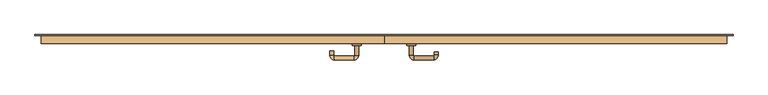
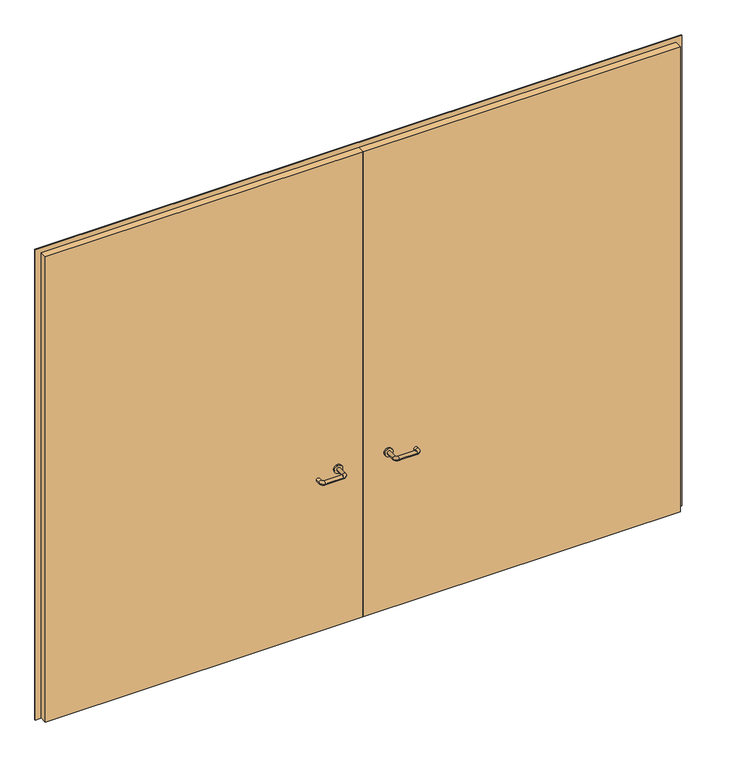
"""IFC4 building model written with IfcOpenShell, lengths in millimetres: door geometry."""

import ifcopenshell
import ifcopenshell.guid

model = None  # the IFC model being written
_history = None  # IfcOwnerHistory: only IFC2X3 demands one
_inside = {}  # id of a spatial element -> (the spatial element, [elements in it])
_under = {}  # id of a project, library or spatial element -> (it, [spatial elements below it])
_declared = {}  # id of a project -> (the project, [libraries it declares])
_typed = {}  # id of a type object -> (the type object, [elements of that type])
_made_of = {}  # id of a material, layer set ... -> (it, [elements and type objects made of it])


def new_model(schema):
    """Start an empty IFC model of exactly this schema.

    Asked for "IFC4X3", IfcOpenShell would pick the latest addendum, in which some entities
    have other attributes; the version numbers below select the first issue.
    IFC2X3 requires an IfcOwnerHistory on every rooted entity: one is made here for all.
    """
    global model, _history
    if schema == "IFC4X3":
        model = ifcopenshell.file(schema_version=(4, 3, 0, 0))
    else:
        model = ifcopenshell.file(schema=schema)
    _inside.clear()
    _under.clear()
    _declared.clear()
    _typed.clear()
    _made_of.clear()
    _history = None
    if model.schema == "IFC2X3":
        org = make("IfcOrganization", Name="unknown")
        user = make(
            "IfcPersonAndOrganization",
            ThePerson=make("IfcPerson", FamilyName="unknown"),
            TheOrganization=org,
        )
        app = make(
            "IfcApplication",
            ApplicationDeveloper=org,
            Version="unknown",
            ApplicationFullName="unknown",
            ApplicationIdentifier="unknown",
        )
        _history = make(
            "IfcOwnerHistory",
            OwningUser=user,
            OwningApplication=app,
            ChangeAction="ADDED",
            CreationDate=0,
        )
    return model


def make(cls, **values):
    """One entity of the class cls with the attributes given. An attribute that is None is left unset."""
    return model.create_entity(
        cls, **{name: value for name, value in values.items() if value is not None}
    )


def rooted(cls, **values):
    """An entity with a GlobalId (a new one), such as an element, a storey or a relation."""
    return make(cls, GlobalId=ifcopenshell.guid.new(), OwnerHistory=_history, **values)


def si_unit(unit_type, name, prefix=None):
    """IfcSIUnit, for example si_unit("LENGTHUNIT", "METRE", prefix="MILLI")."""
    return make("IfcSIUnit", UnitType=unit_type, Prefix=prefix, Name=name)


def assignment(units):
    """IfcUnitAssignment: the units of a project."""
    return None if units is None else make("IfcUnitAssignment", Units=units)


def point(xyz):
    """IfcCartesianPoint."""
    return None if xyz is None else make("IfcCartesianPoint", Coordinates=xyz)


def direction(xyz):
    """IfcDirection."""
    return None if xyz is None else make("IfcDirection", DirectionRatios=xyz)


def frame(location, z_axis=None, x_axis=None):
    """IfcAxis2Placement3D, a coordinate frame: its origin and axes. An axis left out is left unset."""
    return make(
        "IfcAxis2Placement3D",
        Location=point(location),
        Axis=direction(z_axis),
        RefDirection=direction(x_axis),
    )


def frame_2d(location, x_axis=None):
    """IfcAxis2Placement2D, a coordinate frame in the plane: its origin and x axis."""
    return make(
        "IfcAxis2Placement2D", Location=point(location), RefDirection=direction(x_axis)
    )


def origin():
    """The frame at (0, 0, 0) with its axes left unset."""
    return frame((0.0, 0.0, 0.0))


def place(relative_to, where):
    """IfcLocalPlacement: puts the frame where relative to a parent placement (None: the world)."""
    return make(
        "IfcLocalPlacement", PlacementRelTo=relative_to, RelativePlacement=where
    )


def context(
    kind, dimensions, precision=None, world=None, true_north=None, identifier=None
):
    """IfcGeometricRepresentationContext, for example the 3D "Model" context."""
    return make(
        "IfcGeometricRepresentationContext",
        ContextIdentifier=identifier,
        ContextType=kind,
        CoordinateSpaceDimension=dimensions,
        Precision=precision,
        WorldCoordinateSystem=world,
        TrueNorth=true_north,
    )


def project(units=None, contexts=None):
    """IfcProject with its units and contexts."""
    return rooted(
        "IfcProject",
        Name="project",
        RepresentationContexts=contexts,
        UnitsInContext=assignment(units),
    )


def spatial(cls, under=None, at=None, **own):
    """A site, building, storey or space (cls), placed at a placement, below another one or the project."""
    s = rooted(cls, ObjectPlacement=at, **own)
    if under is not None:
        _under.setdefault(under.id(), (under, []))[1].append(s)
    return s


def polyline(points):
    """IfcPolyline through the points."""
    return make("IfcPolyline", Points=[point(p) for p in points])


def circle_curve(where, radius):
    """IfcCircle in the frame where."""
    return make("IfcCircle", Position=where, Radius=radius)


def ellipse_curve(where, semi_axis1, semi_axis2):
    """IfcEllipse in the frame where."""
    return make(
        "IfcEllipse", Position=where, SemiAxis1=semi_axis1, SemiAxis2=semi_axis2
    )


def trimmed(basis, trim1, trim2, sense, master):
    """IfcTrimmedCurve: the piece of a basis curve between two trims."""
    return make(
        "IfcTrimmedCurve",
        BasisCurve=basis,
        Trim1=trim1,
        Trim2=trim2,
        SenseAgreement=sense,
        MasterRepresentation=master,
    )


def segment(curve, same_sense, transition):
    """IfcCompositeCurveSegment."""
    return make(
        "IfcCompositeCurveSegment",
        Transition=transition,
        SameSense=same_sense,
        ParentCurve=curve,
    )


def composite_curve(segments, self_intersect=None):
    """IfcCompositeCurve: segments joined end to end."""
    return make("IfcCompositeCurve", Segments=segments, SelfIntersect=self_intersect)


def outline(outer, holes=None, kind="AREA"):
    """IfcArbitraryClosedProfileDef: a profile drawn as a closed curve; with holes, ...WithVoids."""
    if holes is None:
        return make("IfcArbitraryClosedProfileDef", ProfileType=kind, OuterCurve=outer)
    return make(
        "IfcArbitraryProfileDefWithVoids",
        ProfileType=kind,
        OuterCurve=outer,
        InnerCurves=holes,
    )


def extrude(swept, where, along, depth):
    """IfcExtrudedAreaSolid: the profile swept, set in the frame where, extruded along a direction by depth."""
    return make(
        "IfcExtrudedAreaSolid",
        SweptArea=swept,
        Position=where,
        ExtrudedDirection=direction(along),
        Depth=depth,
    )


def shape(context_of_items, identifier, shape_type, items):
    """IfcShapeRepresentation: the items that make up one representation, for example the "Body"."""
    return make(
        "IfcShapeRepresentation",
        ContextOfItems=context_of_items,
        RepresentationIdentifier=identifier,
        RepresentationType=shape_type,
        Items=items,
    )


def source(mapping_origin, context_of_items, identifier, shape_type, items):
    """IfcRepresentationMap: a shape defined once, which mapped items show again and again."""
    return make(
        "IfcRepresentationMap",
        MappingOrigin=mapping_origin,
        MappedRepresentation=shape(context_of_items, identifier, shape_type, items),
    )


def transform(
    local_origin,
    x_axis=None,
    y_axis=None,
    z_axis=None,
    scale=None,
    scale2=None,
    scale3=None,
    uniform=True,
):
    """IfcCartesianTransformationOperator3D, or its non-uniform kind. x_axis, y_axis, z_axis: its Axis1, 2, 3."""
    if uniform:
        return make(
            "IfcCartesianTransformationOperator3D",
            Axis1=direction(x_axis),
            Axis2=direction(y_axis),
            LocalOrigin=point(local_origin),
            Scale=scale,
            Axis3=direction(z_axis),
        )
    return make(
        "IfcCartesianTransformationOperator3DnonUniform",
        Axis1=direction(x_axis),
        Axis2=direction(y_axis),
        LocalOrigin=point(local_origin),
        Scale=scale,
        Axis3=direction(z_axis),
        Scale2=scale2,
        Scale3=scale3,
    )


def mapped(mapping_source, mapping_target):
    """IfcMappedItem: shows the shape of a source again, moved by a transform."""
    return make(
        "IfcMappedItem", MappingSource=mapping_source, MappingTarget=mapping_target
    )


def made_of(thing, what):
    """Note that an element or type object is made of a material, layer set ...; save() writes the relation."""
    if what is not None:
        _made_of.setdefault(what.id(), (what, []))[1].append(thing)
    return thing


def element(
    cls,
    number,
    at=None,
    inside=None,
    cuts=None,
    type_object=None,
    material=None,
    context=None,
    identifier="Body",
    shape_type=None,
    held_by="IfcProductDefinitionShape",
    body=None,
    shapes=None,
    **own,
):
    """One element of the class cls, such as IfcWall. Its Tag is "e" and its number.

    at: its placement. inside: the storey or other place that contains it. cuts: it is an
    opening in that element (IfcRelVoidsElement). A single representation is given by context,
    identifier, shape_type and body (its items); several are given by shapes. held_by: the class
    of the entity that holds the representations. save() writes the other relations.
    """
    e = rooted(cls, Tag="e%d" % number, ObjectPlacement=at, **own)
    if body is not None:
        shapes = [shape(context, identifier, shape_type, body)]
    if shapes is not None:
        e.Representation = make(held_by, Representations=shapes)
    if inside is not None:
        _inside.setdefault(inside.id(), (inside, []))[1].append(e)
    if cuts is not None:
        rooted(
            "IfcRelVoidsElement", RelatingBuildingElement=cuts, RelatedOpeningElement=e
        )
    if type_object is not None:
        _typed.setdefault(type_object.id(), (type_object, []))[1].append(e)
    return made_of(e, material)


def aggregate(whole, parts):
    """IfcRelAggregates: a whole, such as a stair, and the parts it consists of."""
    return rooted("IfcRelAggregates", RelatingObject=whole, RelatedObjects=parts)


def save(model, path):
    """Write the relations noted so far, then the file.

    IfcRelAggregates (storeys below a building ...), IfcRelContainedInSpatialStructure (elements
    in a storey), IfcRelDefinesByType, IfcRelAssociatesMaterial and IfcRelDeclares: one each for
    every whole, place, type object, material and project.
    """
    for whole, parts in _under.values():
        aggregate(whole, parts)
    for where, things in _inside.values():
        rooted(
            "IfcRelContainedInSpatialStructure",
            RelatedElements=things,
            RelatingStructure=where,
        )
    for kind, things in _typed.values():
        rooted("IfcRelDefinesByType", RelatedObjects=things, RelatingType=kind)
    for what, things in _made_of.values():
        rooted("IfcRelAssociatesMaterial", RelatedObjects=things, RelatingMaterial=what)
    for by, libraries in _declared.values():
        rooted("IfcRelDeclares", RelatingContext=by, RelatedDefinitions=libraries)
    model.write(path)


def plane_surface(at):
    """IfcPlane: the flat surface through the origin of the frame at, square to its z axis."""
    return make("IfcPlane", Position=at)


def cylinder_surface(at, radius):
    """IfcCylindricalSurface: all points at the distance radius from the z axis of the frame at."""
    return make("IfcCylindricalSurface", Position=at, Radius=radius)


def revolved_surface(curve, axis_point, axis_direction):
    """IfcSurfaceOfRevolution: the curve turned about the line through axis_point along axis_direction."""
    return make(
        "IfcSurfaceOfRevolution",
        SweptCurve=make("IfcArbitraryOpenProfileDef", ProfileType="CURVE", Curve=curve),
        AxisPosition=make("IfcAxis1Placement", Location=point(axis_point), Axis=direction(axis_direction)),
    )


def advanced_brep(points, edges, surfaces, faces):
    """IfcAdvancedBrep: a solid bounded by faces that lie on surfaces and meet in shared edges.

    An edge is (start, end): straight between two places in points (the first is 0);
    or (start, end, curve); or (start, end, curve, False) where it runs against its curve.
    A face is (place in surfaces, loops), or (place, loops, False) where it looks against
    its surface's normal. A loop lists edges by number (the first is 1), with a minus sign
    where the edge is run from its end to its start. The first loop is the outer one.
    """
    corners = [point(p) for p in points]
    vertices = [make("IfcVertexPoint", VertexGeometry=c) for c in corners]
    made = []
    for start, end, *more in edges:
        made.append(
            make(
                "IfcEdgeCurve",
                EdgeStart=vertices[start],
                EdgeEnd=vertices[end],
                EdgeGeometry=more[0] if more else make("IfcPolyline", Points=[corners[start], corners[end]]),
                SameSense=more[1] if len(more) > 1 else True,
            )
        )
    hull = []
    for where, loops, *sense in faces:
        bounds = []
        for j, loop in enumerate(loops):
            ring = [make("IfcOrientedEdge", EdgeElement=made[abs(k) - 1], Orientation=k > 0) for k in loop]
            bounds.append(
                make(
                    "IfcFaceOuterBound" if j == 0 else "IfcFaceBound",
                    Bound=make("IfcEdgeLoop", EdgeList=ring),
                    Orientation=True,
                )
            )
        hull.append(make("IfcAdvancedFace", Bounds=bounds, FaceSurface=surfaces[where], SameSense=sense[0] if sense else True))
    return make("IfcAdvancedBrep", Outer=make("IfcClosedShell", CfsFaces=hull))


def door_7297d874(model_context):
    return source(origin(), model_context, "Body", "SolidModel", [
        extrude(outline(polyline([(3000.0, -1950.0), (0.0, -1950.0), (0.0, -1918.0), (2968.0, -1918.0), (2968.0, 1918.0), (0.0, 1918.0), (0.0, 1950.0), (3000.0, 1950.0), (3000.0, -1950.0)])), frame((0.0, 10.0, 0.0), z_axis=(0.0, 1.0, 0.0), x_axis=(0.0, 0.0, 1.0)), (0.0, 0.0, 1.0), 5.0),
        advanced_brep(
        [(140.99898, -44.0, 1003.0), (162.99898, -44.0, 1003.0), (140.99898, -99.3525369, 1003.0), (162.99898, -99.3525369, 1003.0), (166.99898, -103.3525369, 1003.0), (166.99898, -125.3525369, 1003.0), (276.99898, -125.3525369, 1003.0), (276.99898, -103.3525369, 1003.0), (280.99898, -99.3525369, 1003.0), (302.99898, -99.3525369, 1003.0), (302.99898, -82.0, 1003.0), (280.99898, -82.0, 1003.0)],
        [
            (0, 1, circle_curve(frame((151.99898, -44.0, 1003.0), z_axis=(0.0, 1.0, 0.0), x_axis=(1.0, 0.0, 0.0)), 11.0)),
            (1, 0, circle_curve(frame((151.99898, -44.0, 1003.0), z_axis=(0.0, 1.0, 0.0), x_axis=(1.0, 0.0, 0.0)), 11.0)),
            (0, 2),
            (2, 3, circle_curve(frame((151.99898, -99.3525369, 1003.0), z_axis=(0.0, 1.0, 0.0), x_axis=(1.0, 0.0, 0.0)), 11.0)),
            (3, 1),
            (3, 2, circle_curve(frame((151.99898, -99.3525369, 1003.0), z_axis=(0.0, 1.0, 0.0), x_axis=(1.0, 0.0, 0.0)), 11.0)),
            (4, 3, circle_curve(frame((166.99898, -99.3525369, 1003.0), z_axis=(0.0, 0.0, -1.0), x_axis=(-1.0, 0.0, 0.0)), 4.0)),
            (2, 5, circle_curve(frame((166.99898, -99.3525369, 1003.0), z_axis=(0.0, 0.0, 1.0), x_axis=(-1.0, 0.0, 0.0)), 26.0)),
            (5, 4, circle_curve(frame((166.99898, -114.3525369, 1003.0), z_axis=(-1.0, 0.0, 0.0), x_axis=(0.0, 1.0, 0.0)), 11.0)),
            (4, 5, circle_curve(frame((166.99898, -114.3525369, 1003.0), z_axis=(-1.0, 0.0, 0.0), x_axis=(0.0, 1.0, 0.0)), 11.0)),
            (5, 6),
            (6, 7, circle_curve(frame((276.99898, -114.3525369, 1003.0), z_axis=(-1.0, 0.0, 0.0), x_axis=(0.0, 1.0, 0.0)), 11.0)),
            (7, 4),
            (7, 6, circle_curve(frame((276.99898, -114.3525369, 1003.0), z_axis=(-1.0, 0.0, 0.0), x_axis=(0.0, 1.0, 0.0)), 11.0)),
            (8, 7, circle_curve(frame((276.99898, -99.3525369, 1003.0), z_axis=(0.0, 0.0, -1.0), x_axis=(0.0, -1.0, 0.0)), 4.0)),
            (6, 9, circle_curve(frame((276.99898, -99.3525369, 1003.0), z_axis=(0.0, 0.0, 1.0), x_axis=(0.0, -1.0, 0.0)), 26.0)),
            (9, 8, circle_curve(frame((291.99898, -99.3525369, 1003.0), z_axis=(0.0, -1.0, 0.0), x_axis=(-1.0, 0.0, 0.0)), 11.0)),
            (8, 9, circle_curve(frame((291.99898, -99.3525369, 1003.0), z_axis=(0.0, -1.0, 0.0), x_axis=(-1.0, 0.0, 0.0)), 11.0)),
            (10, 11, circle_curve(frame((291.99898, -82.0, 1003.0), z_axis=(0.0, 1.0, 0.0), x_axis=(-1.0, 0.0, 0.0)), 11.0)),
            (11, 10, circle_curve(frame((291.99898, -82.0, 1003.0), z_axis=(0.0, 1.0, 0.0), x_axis=(-1.0, 0.0, 0.0)), 11.0)),
            (9, 10),
            (11, 8),
        ],
        [
            plane_surface(frame((140.99898, -44.0, 1003.0), z_axis=(0.0, 1.0, 0.0), x_axis=(0.0, 0.0, -1.0))),
            cylinder_surface(frame((151.99898, -44.0, 1003.0), z_axis=(0.0, 1.0, 0.0), x_axis=(1.0, 0.0, 0.0)), 11.0),
            revolved_surface(trimmed(ellipse_curve(frame((151.99898, -99.3525369, 1003.0), z_axis=(0.0, 1.0, 0.0), x_axis=(1.0, 0.0, 0.0)), 11.0, 11.0), [point((140.99898, -99.3525369, 1003.0))], [point((162.99898, -99.3525369, 1003.0))], True, "CARTESIAN"), (166.99898, -99.3525369, 1003.0), (0.0, 0.0, 1.0)),
            revolved_surface(trimmed(ellipse_curve(frame((151.99898, -99.3525369, 1003.0), z_axis=(0.0, 1.0, 0.0), x_axis=(1.0, 0.0, 0.0)), 11.0, 11.0), [point((162.99898, -99.3525369, 1003.0))], [point((140.99898, -99.3525369, 1003.0))], True, "CARTESIAN"), (166.99898, -99.3525369, 1003.0), (0.0, 0.0, 1.0)),
            cylinder_surface(frame((166.99898, -114.3525369, 1003.0), z_axis=(-1.0, 0.0, 0.0), x_axis=(0.0, 1.0, 0.0)), 11.0),
            revolved_surface(trimmed(ellipse_curve(frame((276.99898, -114.3525369, 1003.0), z_axis=(-1.0, 0.0, 0.0), x_axis=(0.0, 1.0, 0.0)), 11.0, 11.0), [point((276.99898, -125.3525369, 1003.0))], [point((276.99898, -103.3525369, 1003.0))], True, "CARTESIAN"), (276.99898, -99.3525369, 1003.0), (0.0, 0.0, 1.0)),
            revolved_surface(trimmed(ellipse_curve(frame((276.99898, -114.3525369, 1003.0), z_axis=(-1.0, 0.0, 0.0), x_axis=(0.0, 1.0, 0.0)), 11.0, 11.0), [point((276.99898, -103.3525369, 1003.0))], [point((276.99898, -125.3525369, 1003.0))], True, "CARTESIAN"), (276.99898, -99.3525369, 1003.0), (0.0, 0.0, 1.0)),
            plane_surface(frame((280.99898, -82.0, 1003.0), z_axis=(0.0, 1.0, 0.0), x_axis=(0.0, 0.0, 1.0))),
            cylinder_surface(frame((291.99898, -99.3525369, 1003.0), z_axis=(0.0, -1.0, 0.0), x_axis=(-1.0, 0.0, 0.0)), 11.0),
        ],
        [
            (0, [[1, 2]]),
            (1, [[-1, 3, 4, 5]]),
            (1, [[-2, -5, 6, -3]]),
            (2, [[7, -4, 8, 9]]),
            (3, [[-8, -6, -7, 10]]),
            (4, [[-9, 11, 12, 13]]),
            (4, [[-10, -13, 14, -11]]),
            (5, [[15, -12, 16, 17]]),
            (6, [[-16, -14, -15, 18]]),
            (7, [[19, 20]]),
            (8, [[-17, 21, -20, 22]]),
            (8, [[-18, -22, -19, -21]]),
        ],
    ),
        extrude(outline(composite_curve([segment(trimmed(circle_curve(frame_2d((1003.0, 151.99898)), 25.0), [point((1003.0, 126.99898))], [point((1003.0, 176.99898))], False, "CARTESIAN"), True, "CONTINUOUS"), segment(trimmed(circle_curve(frame_2d((1003.0, 151.99898)), 25.0), [point((1003.0, 176.99898))], [point((1003.0, 126.99898))], False, "CARTESIAN"), True, "CONTINUOUS")], self_intersect=False)), frame((0.0, -44.0, 0.0), z_axis=(0.0, 1.0, 0.0), x_axis=(0.0, 0.0, 1.0)), (0.0, 0.0, 1.0), 10.0),
        advanced_brep(
        [(-162.99898, -44.3113879, 1003.0), (-140.99898, -44.3113879, 1003.0), (-162.99898, -99.7220447, 1003.0), (-140.99898, -99.7220447, 1003.0), (-166.99898, -125.7220447, 1003.0), (-166.99898, -103.7220447, 1003.0), (-276.99898, -103.7220447, 1003.0), (-276.99898, -125.7220447, 1003.0), (-302.99898, -99.7220447, 1003.0), (-280.99898, -99.7220447, 1003.0), (-280.99898, -74.7220447, 1003.0), (-302.99898, -74.7220447, 1003.0)],
        [
            (0, 1, circle_curve(frame((-151.99898, -44.3113879, 1003.0), z_axis=(0.0, 1.0, 0.0), x_axis=(1.0, 0.0, 0.0)), 11.0)),
            (1, 0, circle_curve(frame((-151.99898, -44.3113879, 1003.0), z_axis=(0.0, 1.0, 0.0), x_axis=(1.0, 0.0, 0.0)), 11.0)),
            (0, 2),
            (2, 3, circle_curve(frame((-151.99898, -99.7220447, 1003.0), z_axis=(0.0, 1.0, 0.0), x_axis=(1.0, 0.0, 0.0)), 11.0)),
            (3, 1),
            (3, 2, circle_curve(frame((-151.99898, -99.7220447, 1003.0), z_axis=(0.0, 1.0, 0.0), x_axis=(1.0, 0.0, 0.0)), 11.0)),
            (4, 3, circle_curve(frame((-166.99898, -99.7220447, 1003.0), z_axis=(0.0, 0.0, 1.0), x_axis=(1.0, 0.0, 0.0)), 26.0)),
            (2, 5, circle_curve(frame((-166.99898, -99.7220447, 1003.0), z_axis=(0.0, 0.0, -1.0), x_axis=(1.0, 0.0, 0.0)), 4.0)),
            (5, 4, circle_curve(frame((-166.99898, -114.7220447, 1003.0), z_axis=(1.0, 0.0, 0.0), x_axis=(0.0, -1.0, 0.0)), 11.0)),
            (4, 5, circle_curve(frame((-166.99898, -114.7220447, 1003.0), z_axis=(1.0, 0.0, 0.0), x_axis=(0.0, -1.0, 0.0)), 11.0)),
            (5, 6),
            (6, 7, circle_curve(frame((-276.99898, -114.7220447, 1003.0), z_axis=(1.0, 0.0, 0.0), x_axis=(0.0, -1.0, 0.0)), 11.0)),
            (7, 4),
            (7, 6, circle_curve(frame((-276.99898, -114.7220447, 1003.0), z_axis=(1.0, 0.0, 0.0), x_axis=(0.0, -1.0, 0.0)), 11.0)),
            (8, 7, circle_curve(frame((-276.99898, -99.7220447, 1003.0), z_axis=(0.0, 0.0, 1.0), x_axis=(0.0, -1.0, 0.0)), 26.0)),
            (6, 9, circle_curve(frame((-276.99898, -99.7220447, 1003.0), z_axis=(0.0, 0.0, -1.0), x_axis=(0.0, -1.0, 0.0)), 4.0)),
            (9, 8, circle_curve(frame((-291.99898, -99.7220447, 1003.0), z_axis=(0.0, -1.0, 0.0), x_axis=(-1.0, 0.0, 0.0)), 11.0)),
            (8, 9, circle_curve(frame((-291.99898, -99.7220447, 1003.0), z_axis=(0.0, -1.0, 0.0), x_axis=(-1.0, 0.0, 0.0)), 11.0)),
            (10, 11, circle_curve(frame((-291.99898, -74.7220447, 1003.0), z_axis=(0.0, 1.0, 0.0), x_axis=(-1.0, 0.0, 0.0)), 11.0)),
            (11, 10, circle_curve(frame((-291.99898, -74.7220447, 1003.0), z_axis=(0.0, 1.0, 0.0), x_axis=(-1.0, 0.0, 0.0)), 11.0)),
            (9, 10),
            (11, 8),
        ],
        [
            plane_surface(frame((-162.99898, -44.3113879, 1003.0), z_axis=(0.0, 1.0, 0.0), x_axis=(0.0, 0.0, -1.0))),
            cylinder_surface(frame((-151.99898, -44.3113879, 1003.0), z_axis=(0.0, 1.0, 0.0), x_axis=(1.0, 0.0, 0.0)), 11.0),
            revolved_surface(trimmed(ellipse_curve(frame((-151.99898, -99.7220447, 1003.0), z_axis=(0.0, 1.0, 0.0), x_axis=(1.0, 0.0, 0.0)), 11.0, 11.0), [point((-162.99898, -99.7220447, 1003.0))], [point((-140.99898, -99.7220447, 1003.0))], True, "CARTESIAN"), (-166.99898, -99.7220447, 1003.0), (0.0, 0.0, -1.0)),
            revolved_surface(trimmed(ellipse_curve(frame((-151.99898, -99.7220447, 1003.0), z_axis=(0.0, 1.0, 0.0), x_axis=(1.0, 0.0, 0.0)), 11.0, 11.0), [point((-140.99898, -99.7220447, 1003.0))], [point((-162.99898, -99.7220447, 1003.0))], True, "CARTESIAN"), (-166.99898, -99.7220447, 1003.0), (0.0, 0.0, -1.0)),
            cylinder_surface(frame((-166.99898, -114.7220447, 1003.0), z_axis=(1.0, 0.0, 0.0), x_axis=(0.0, -1.0, 0.0)), 11.0),
            revolved_surface(trimmed(ellipse_curve(frame((-276.99898, -114.7220447, 1003.0), z_axis=(1.0, 0.0, 0.0), x_axis=(0.0, -1.0, 0.0)), 11.0, 11.0), [point((-276.99898, -103.7220447, 1003.0))], [point((-276.99898, -125.7220447, 1003.0))], True, "CARTESIAN"), (-276.99898, -99.7220447, 1003.0), (0.0, 0.0, -1.0)),
            revolved_surface(trimmed(ellipse_curve(frame((-276.99898, -114.7220447, 1003.0), z_axis=(1.0, 0.0, 0.0), x_axis=(0.0, -1.0, 0.0)), 11.0, 11.0), [point((-276.99898, -125.7220447, 1003.0))], [point((-276.99898, -103.7220447, 1003.0))], True, "CARTESIAN"), (-276.99898, -99.7220447, 1003.0), (0.0, 0.0, -1.0)),
            plane_surface(frame((-302.99898, -74.7220447, 1003.0), z_axis=(0.0, 1.0, 0.0), x_axis=(0.0, 0.0, 1.0))),
            cylinder_surface(frame((-291.99898, -99.7220447, 1003.0), z_axis=(0.0, -1.0, 0.0), x_axis=(-1.0, 0.0, 0.0)), 11.0),
        ],
        [
            (0, [[1, 2]]),
            (1, [[-1, 3, 4, 5]]),
            (1, [[-2, -5, 6, -3]]),
            (2, [[7, -4, 8, 9]]),
            (3, [[-8, -6, -7, 10]]),
            (4, [[-9, 11, 12, 13]]),
            (4, [[-10, -13, 14, -11]]),
            (5, [[15, -12, 16, 17]]),
            (6, [[-16, -14, -15, 18]]),
            (7, [[19, 20]]),
            (8, [[-17, 21, -20, 22]]),
            (8, [[-18, -22, -19, -21]]),
        ],
    ),
        extrude(outline(composite_curve([segment(trimmed(circle_curve(frame_2d((1003.0, -151.99898)), 25.0), [point((1003.0, -176.99898))], [point((1003.0, -126.99898))], False, "CARTESIAN"), True, "CONTINUOUS"), segment(trimmed(circle_curve(frame_2d((1003.0, -151.99898)), 25.0), [point((1003.0, -126.99898))], [point((1003.0, -176.99898))], False, "CARTESIAN"), True, "CONTINUOUS")], self_intersect=False)), frame((0.0, -44.3113879, 0.0), z_axis=(0.0, 1.0, 0.0), x_axis=(0.0, 0.0, 1.0)), (0.0, 0.0, 1.0), 10.3113879),
        extrude(outline(polyline([(1.0739506, -34.0), (-1915.0, -34.0), (-1915.0, 10.0), (1.0739506, 10.0), (1.0739506, -34.0)])), frame((0.0, 0.0, 1.753223), z_axis=(0.0, 0.0, 1.0), x_axis=(1.0, 0.0, 0.0)), (0.0, 0.0, 1.0), 2966.246777),
        extrude(outline(polyline([(1915.0, -34.0), (1.0739506, -34.0), (1.0739506, 10.0), (1915.0, 10.0), (1915.0, -34.0)])), frame((0.0, 0.0, 1.753223), z_axis=(0.0, 0.0, 1.0), x_axis=(1.0, 0.0, 0.0)), (0.0, 0.0, 1.0), 2966.246777),
    ])


if __name__ == "__main__":
    model = new_model("IFC4")
    model_context = context("Model", 3, world=origin())
    ifc_project = project(units=[si_unit("LENGTHUNIT", "METRE", prefix="MILLI")], contexts=[model_context])
    site = spatial("IfcSite", under=ifc_project)
    building = spatial("IfcBuilding", under=site)
    placement = place(None, origin())
    door_shape = door_7297d874(model_context)
    element("IfcDoor", 1, at=placement, inside=building, context=model_context, shape_type="MappedRepresentation", body=[
        mapped(door_shape, transform((0.0, 0.0, 0.0), x_axis=(1.0, 0.0, 0.0), y_axis=(0.0, 1.0, 0.0), z_axis=(0.0, 0.0, 1.0))),
    ])
    save(model, "model.ifc")
